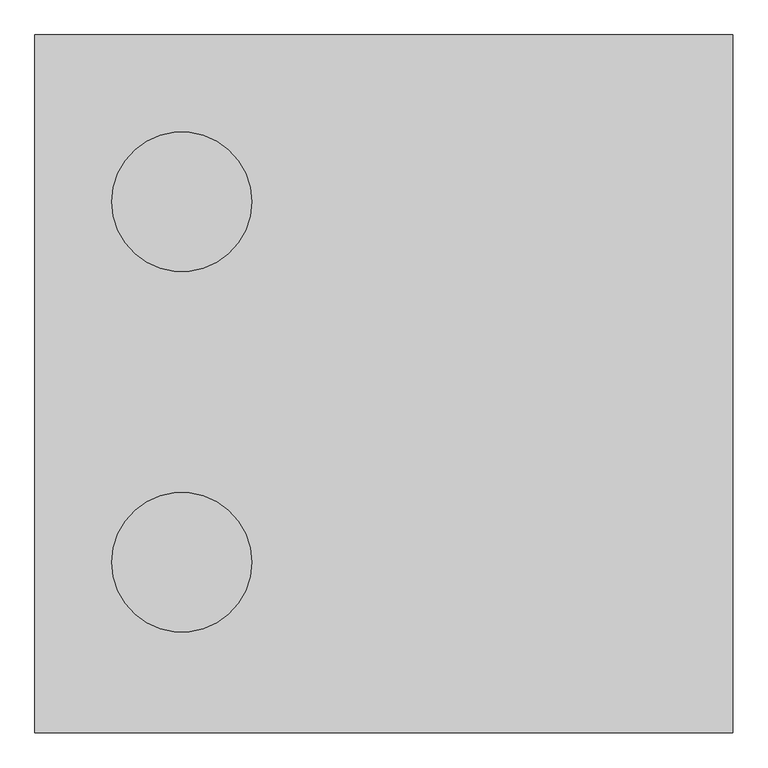
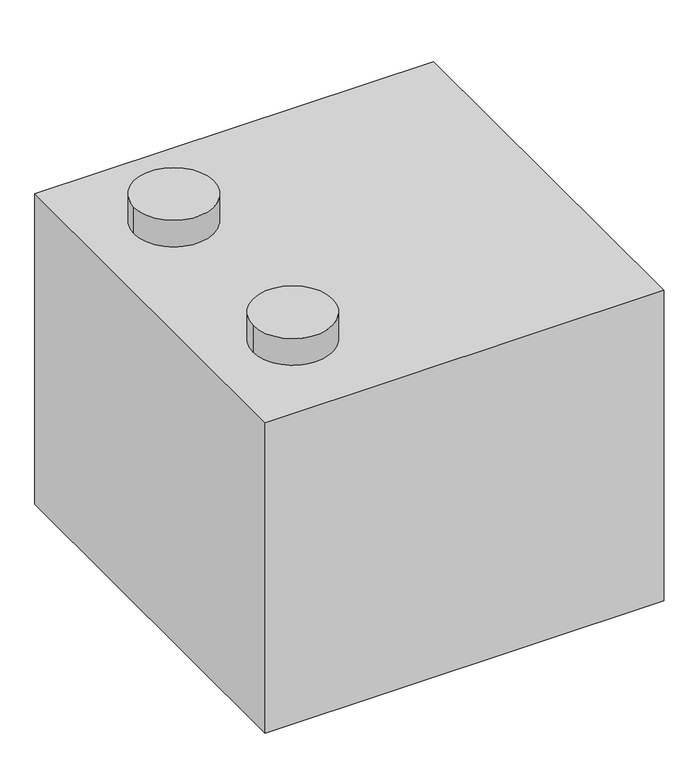
"""IFC4 building model written with IfcOpenShell, lengths in millimetres: proxy geometry."""

from ifc_helpers import new_model, si_unit, point, frame, frame_2d, origin, origin_with_axes, place, context, project, spatial, polyline, circle_curve, trimmed, segment, composite_curve, outline, extrude, source, transform, mapped, element, save


def mechanical_equipment_847aca6d(model_context):
    return source(origin(), model_context, "Body", "SweptSolid", [
        extrude(outline(composite_curve([segment(trimmed(circle_curve(frame_2d((-710.9251215, 372.5243676)), 152.4), [point((-863.3251215, 372.5243676))], [point((-558.5251215, 372.5243676))], False, "CARTESIAN"), True, "CONTINUOUS"), segment(trimmed(circle_curve(frame_2d((-710.9251215, 372.5243676)), 152.4), [point((-558.5251215, 372.5243676))], [point((-863.3251215, 372.5243676))], False, "CARTESIAN"), True, "CONTINUOUS")], self_intersect=False)), frame((0.0, 0.0, 1253.4424445), z_axis=(0.0, 0.0, 1.0), x_axis=(1.0, 0.0, 0.0)), (0.0, 0.0, 1.0), 107.6024628),
        extrude(outline(composite_curve([segment(trimmed(circle_curve(frame_2d((-710.9251215, 1159.9243676)), 152.4), [point((-863.3251215, 1159.9243676))], [point((-558.5251215, 1159.9243676))], False, "CARTESIAN"), True, "CONTINUOUS"), segment(trimmed(circle_curve(frame_2d((-710.9251215, 1159.9243676)), 152.4), [point((-558.5251215, 1159.9243676))], [point((-863.3251215, 1159.9243676))], False, "CARTESIAN"), True, "CONTINUOUS")], self_intersect=False)), frame((0.0, 0.0, 1253.4424445), z_axis=(0.0, 0.0, 1.0), x_axis=(1.0, 0.0, 0.0)), (0.0, 0.0, 1.0), 107.6024628),
        extrude(outline(polyline([(492.5222238, 0.0), (-1031.4777762, 0.0), (-1031.4777762, 1524.0), (492.5222238, 1524.0), (492.5222238, 0.0)])), origin_with_axes(), (0.0, 0.0, 1.0), 1253.4424445),
    ])


if __name__ == "__main__":
    model = new_model("IFC4")
    model_context = context("Model", 3, world=origin())
    ifc_project = project(units=[si_unit("LENGTHUNIT", "METRE", prefix="MILLI")], contexts=[model_context])
    site = spatial("IfcSite", under=ifc_project)
    building = spatial("IfcBuilding", under=site)
    placement = place(None, origin())
    mechanical_equipment_shape = mechanical_equipment_847aca6d(model_context)
    element("IfcBuildingElementProxy", 1, Name="Mechanical Equipment", at=placement, inside=building, context=model_context, shape_type="MappedRepresentation", body=[
        mapped(mechanical_equipment_shape, transform((0.0, 0.0, 0.0), x_axis=(1.0, 0.0, 0.0), y_axis=(0.0, 1.0, 0.0), z_axis=(0.0, 0.0, 1.0))),
    ])
    save(model, "model.ifc")
